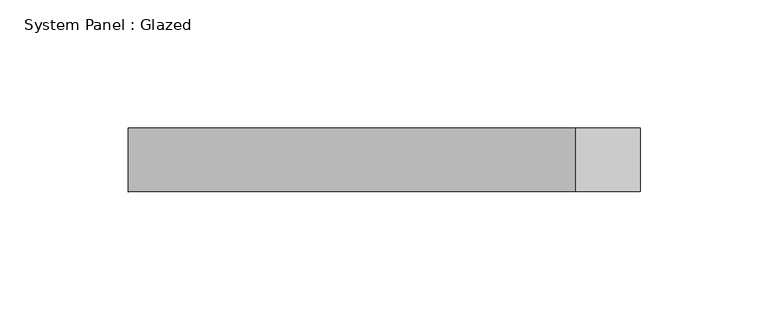
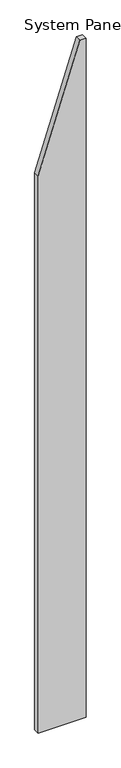
"""IFC4 building model written with IfcOpenShell, lengths in millimetres: plate geometry, System Panel : Glazed."""

from ifc_helpers import new_model, si_unit, frame, origin, place, context, project, spatial, polyline, outline, extrude, source, transform, mapped, element, save


def system_panel_glazed_f01b6d89(model_context):
    return source(origin(), model_context, "Body", "SweptSolid", [
        extrude(outline(polyline([(0.0, -100.0), (0.0, 100.0), (3000.0, 100.0), (3000.0, 74.9999997), (2461.5384625, -100.0), (0.0, -100.0)])), frame((0.0, 24.5, 0.0), z_axis=(0.0, 1.0, 0.0), x_axis=(0.0, 0.0, 1.0)), (0.0, 0.0, 1.0), 25.0),
    ])


if __name__ == "__main__":
    model = new_model("IFC4")
    model_context = context("Model", 3, world=origin())
    ifc_project = project(units=[si_unit("LENGTHUNIT", "METRE", prefix="MILLI")], contexts=[model_context])
    site = spatial("IfcSite", under=ifc_project)
    building = spatial("IfcBuilding", under=site)
    placement = place(None, origin())
    system_panel_glazed_shape = system_panel_glazed_f01b6d89(model_context)
    element("IfcPlate", 1, ObjectType="System Panel : Glazed", at=placement, inside=building, context=model_context, shape_type="MappedRepresentation", body=[
        mapped(system_panel_glazed_shape, transform((0.0, 0.0, 0.0), x_axis=(1.0, 0.0, 0.0), y_axis=(0.0, 1.0, 0.0), z_axis=(0.0, 0.0, 1.0))),
    ])
    save(model, "model.ifc")
